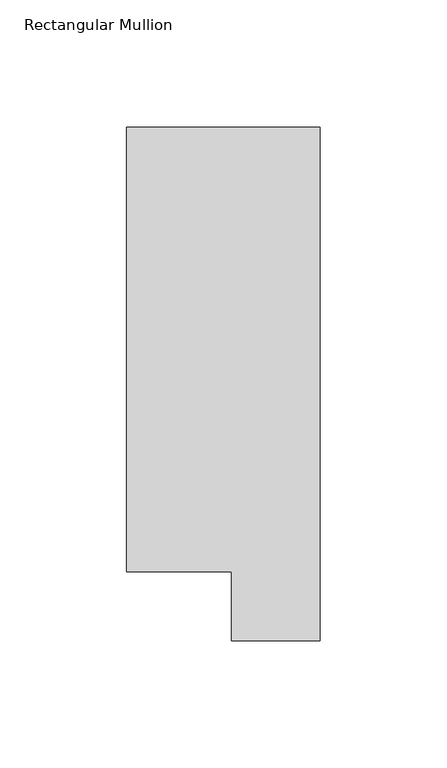
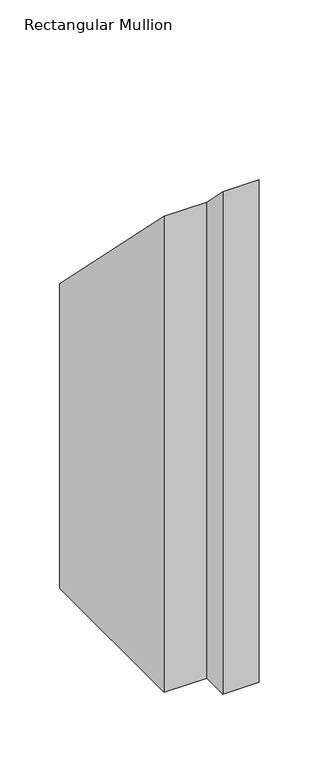
"""IFC4 building model written with IfcOpenShell, lengths in millimetres: member geometry, Rectangular Mullion."""

from ifc_helpers import new_model, si_unit, origin, place, context, project, spatial, faceted_brep, source, transform, mapped, element, save


def rectangular_mullion_09148941(model_context):
    return source(origin(), model_context, "Body", "Brep", [
        faceted_brep([(0.0, 222.0301313, -533.4), (0.0, 19.5667312, -533.4), (-34.9123, 19.5667312, -533.4), (-34.9123, 46.7447302, -533.4), (-76.2, 46.7447302, -533.4), (-76.2, 222.0301313, -533.4), (-76.2, 222.0301313, -222.0301312), (0.0, 222.0301313, -222.0301312), (-76.2, 46.7447302, -46.7447302), (-34.9123, 46.7447302, -46.7447302), (-34.9123, 19.5667312, -19.5667312), (0.0, 19.5667312, -19.5667312)], [[[0, 1, 2, 3, 4, 5]], [[6, 7, 0, 5]], [[8, 6, 5, 4]], [[9, 8, 4, 3]], [[10, 9, 3, 2]], [[11, 10, 2, 1]], [[7, 11, 1, 0]], [[7, 6, 8, 9, 10, 11]]]),
    ])


if __name__ == "__main__":
    model = new_model("IFC4")
    model_context = context("Model", 3, world=origin())
    ifc_project = project(units=[si_unit("LENGTHUNIT", "METRE", prefix="MILLI")], contexts=[model_context])
    site = spatial("IfcSite", under=ifc_project)
    building = spatial("IfcBuilding", under=site)
    placement = place(None, origin())
    rectangular_mullion_shape = rectangular_mullion_09148941(model_context)
    element("IfcMember", 1, ObjectType="Rectangular Mullion", at=placement, inside=building, context=model_context, shape_type="MappedRepresentation", body=[
        mapped(rectangular_mullion_shape, transform((0.0, 0.0, 0.0), x_axis=(1.0, 0.0, 0.0), y_axis=(0.0, 1.0, 0.0), z_axis=(0.0, 0.0, 1.0))),
    ])
    save(model, "model.ifc")
